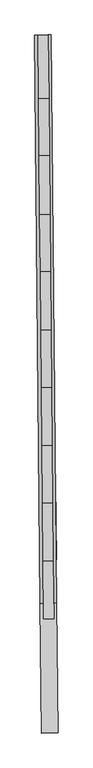
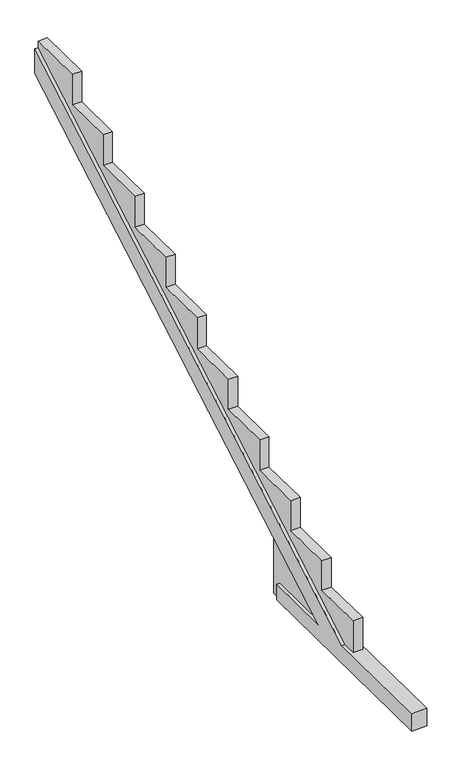
"""IFC4 building model written with IfcOpenShell, lengths in millimetres: beam geometry."""

from ifc_helpers import new_model, si_unit, origin, place, context, project, spatial, faceted_brep, source, transform, mapped, element, save


def beam_8318550a(model_context):
    return source(origin(), model_context, "Body", "Brep", [
        faceted_brep([(107185.5668043, 104703.7103362, -269.5243013), (107185.5668043, 104703.7103362, -62.207796), (107194.1861371, 103816.3891149, -62.207796), (107135.5464793, 109853.0759494, 3586.1290947), (107135.5464793, 109853.0759494, 3910.1165382), (107199.0255867, 103318.1897322, -39.3125304), (107213.510315, 101827.0526333, -39.3125304), (107213.510315, 101827.0526333, -269.5243013), (106995.7256391, 104701.8662418, -269.5243013), (107023.6691498, 101825.2085388, -269.5243013), (107023.6691498, 101825.2085388, -39.3125304), (107009.1844214, 103316.3456377, -39.3125304), (106945.7053141, 109851.231855, 3910.1165382), (106945.7053141, 109851.231855, 3586.1290947), (107004.3449719, 103814.5450204, -62.207796), (106995.7256391, 104701.8662418, -62.207796), (107033.6175468, 104702.2343192, -269.5243013), (107032.3988908, 104827.6894181, -269.5243013), (107149.528005, 104828.8271964, -269.5243013), (107150.7466609, 104703.3720975, -269.5243013), (107164.2054433, 103317.8514934, -39.3125304), (107165.9251307, 103140.817471, -39.3125304), (107048.7960165, 103139.6796928, -39.3125304), (107047.0763291, 103316.7137152, -39.3125304), (106983.5972218, 109851.5999324, 3910.1165382), (106983.5972218, 109851.5999324, 3996.7775476), (107100.726336, 109852.7377107, 3996.7775476), (107100.726336, 109852.7377107, 3910.1165382), (107159.3659937, 103816.0508761, -62.207796), (107149.528005, 104828.8271964, 549.8745122), (107032.3988908, 104827.6894181, 549.8745122), (107042.2368795, 103814.9130979, -62.207796), (107150.7466609, 104703.3720975, -62.207796), (107033.6175468, 104702.2343192, -62.207796), (107107.7982593, 109124.7152778, 3996.7775476), (107107.7982593, 109124.7152778, 3591.8387706), (107114.1777504, 108467.9755948, 3591.8387706), (107114.1777504, 108467.9755948, 3188.0902458), (107120.7352309, 107792.9127144, 3188.0902458), (107120.7352309, 107792.9127144, 2777.6405006), (107127.1467615, 107132.8747145, 2777.6405006), (107127.1467615, 107132.8747145, 2382.242586), (107133.6396568, 106464.4605977, 2382.242586), (107133.6396568, 106464.4605977, 1971.7928409), (107140.1000061, 105799.3969277, 1971.7928409), (107140.1000061, 105799.3969277, 1573.0702313), (107146.5601023, 105134.3593226, 1573.0702313), (107146.5601023, 105134.3593226, 1169.3217065), (107153.004432, 104470.9448111, 1169.3217065), (107153.004432, 104470.9448111, 772.2484868), (107159.4647813, 103805.8811411, 772.2484868), (107159.4647813, 103805.8811411, 385.278928), (107165.9251307, 103140.817471, 385.278928), (107048.7960165, 103139.6796928, 385.278928), (107042.3356671, 103804.7433628, 385.278928), (107042.3356671, 103804.7433628, 772.2484868), (107035.8753178, 104469.8070328, 772.2484868), (107035.8753178, 104469.8070328, 1169.3217065), (107029.4309881, 105133.2215443, 1169.3217065), (107029.4309881, 105133.2215443, 1573.0702313), (107022.9708919, 105798.2591495, 1573.0702313), (107022.9708919, 105798.2591495, 1971.7928409), (107016.5105426, 106463.3228195, 1971.7928409), (107016.5105426, 106463.3228195, 2382.242586), (107010.0176473, 107131.7369362, 2382.242586), (107010.0176473, 107131.7369362, 2777.6405006), (107003.6061167, 107791.7749361, 2777.6405006), (107003.6061167, 107791.7749361, 3188.0902458), (106997.0486362, 108466.8378166, 3188.0902458), (106997.0486362, 108466.8378166, 3591.8387706), (106990.6691451, 109123.5774995, 3591.8387706), (106990.6691451, 109123.5774995, 3996.7775476)], [[[0, 1, 2, 3, 4, 5, 6, 7]], [[8, 9, 10, 11, 12, 13, 14, 15]], [[0, 7, 9, 8, 16, 17, 18, 19]], [[7, 6, 10, 9]], [[6, 5, 20, 21, 22, 23, 11, 10]], [[4, 3, 13, 12, 24, 25, 26, 27]], [[3, 2, 28, 29, 30, 31, 14, 13]], [[2, 1, 32, 28]], [[15, 14, 31, 33]], [[1, 0, 19, 32]], [[8, 15, 33, 16]], [[19, 18, 29, 28, 32]], [[26, 34, 35, 36, 37, 38, 39, 40, 41, 42, 43, 44, 45, 46, 47, 48, 49, 50, 51, 52, 21, 20, 27]], [[17, 16, 33, 31, 30]], [[22, 53, 54, 55, 56, 57, 58, 59, 60, 61, 62, 63, 64, 65, 66, 67, 68, 69, 70, 71, 25, 24, 23]], [[18, 17, 30, 29]], [[21, 52, 53, 22]], [[52, 51, 54, 53]], [[51, 50, 55, 54]], [[50, 49, 56, 55]], [[49, 48, 57, 56]], [[48, 47, 58, 57]], [[47, 46, 59, 58]], [[46, 45, 60, 59]], [[45, 44, 61, 60]], [[44, 43, 62, 61]], [[43, 42, 63, 62]], [[42, 41, 64, 63]], [[41, 40, 65, 64]], [[40, 39, 66, 65]], [[39, 38, 67, 66]], [[38, 37, 68, 67]], [[37, 36, 69, 68]], [[36, 35, 70, 69]], [[35, 34, 71, 70]], [[34, 26, 25, 71]], [[5, 4, 27, 20]], [[12, 11, 23, 24]]]),
    ])


if __name__ == "__main__":
    model = new_model("IFC4")
    model_context = context("Model", 3, world=origin())
    ifc_project = project(units=[si_unit("LENGTHUNIT", "METRE", prefix="MILLI")], contexts=[model_context])
    site = spatial("IfcSite", under=ifc_project)
    building = spatial("IfcBuilding", under=site)
    placement = place(None, origin())
    beam_shape = beam_8318550a(model_context)
    element("IfcBeam", 1, at=placement, inside=building, context=model_context, shape_type="MappedRepresentation", body=[
        mapped(beam_shape, transform((0.0, 0.0, 0.0), x_axis=(1.0, 0.0, 0.0), y_axis=(0.0, 1.0, 0.0), z_axis=(0.0, 0.0, 1.0))),
    ])
    save(model, "model.ifc")
